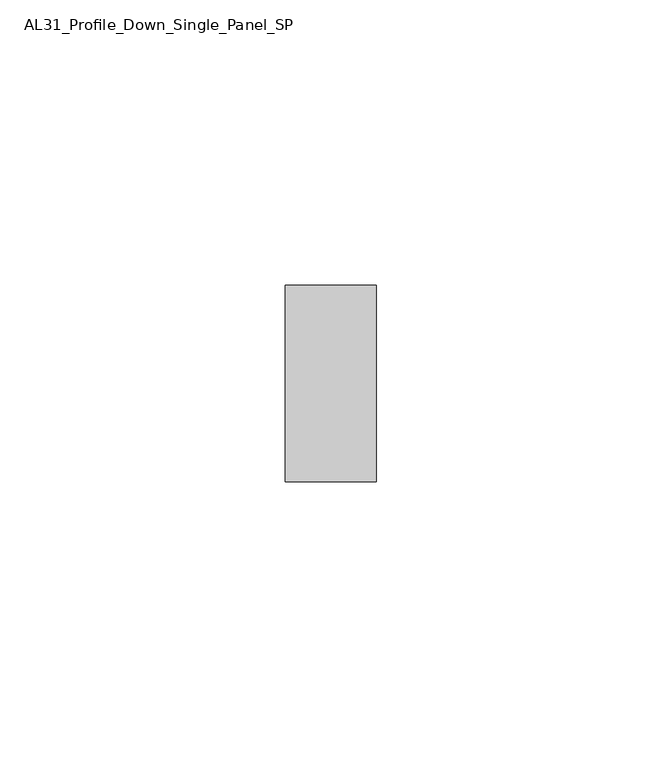
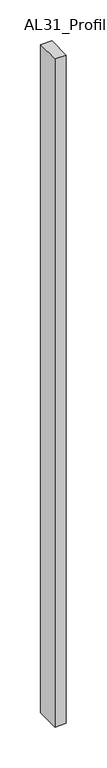
"""IFC4 building model written with IfcOpenShell, lengths in millimetres: member geometry, AL31_Profile_Down_Single_Panel_SP."""

from ifc_helpers import new_model, si_unit, frame, origin, place, context, project, spatial, polyline, outline, extrude, source, transform, mapped, element, save


def al31_profile_down_single_panel_sp_1193a37d(model_context):
    return source(origin(), model_context, "Body", "SweptSolid", [
        extrude(outline(polyline([(0.0, -17.25), (-16.0, -17.25), (-16.0, 17.25), (0.0, 17.25), (0.0, -17.25)])), frame((0.0, 0.0, -995.1268757), z_axis=(0.0, 0.0, 1.0), x_axis=(1.0, 0.0, 0.0)), (0.0, 0.0, 1.0), 995.1268757),
    ])


if __name__ == "__main__":
    model = new_model("IFC4")
    model_context = context("Model", 3, world=origin())
    ifc_project = project(units=[si_unit("LENGTHUNIT", "METRE", prefix="MILLI")], contexts=[model_context])
    site = spatial("IfcSite", under=ifc_project)
    building = spatial("IfcBuilding", under=site)
    placement = place(None, origin())
    al31_profile_down_single_panel_sp_shape = al31_profile_down_single_panel_sp_1193a37d(model_context)
    element("IfcMember", 1, ObjectType="AL31_Profile_Down_Single_Panel_SP", at=placement, inside=building, context=model_context, shape_type="MappedRepresentation", body=[
        mapped(al31_profile_down_single_panel_sp_shape, transform((0.0, 0.0, 0.0), x_axis=(1.0, 0.0, 0.0), y_axis=(0.0, 1.0, 0.0), z_axis=(0.0, 0.0, 1.0))),
    ])
    save(model, "model.ifc")
